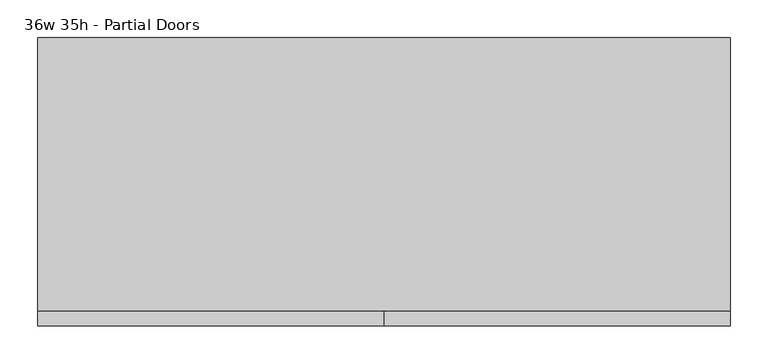
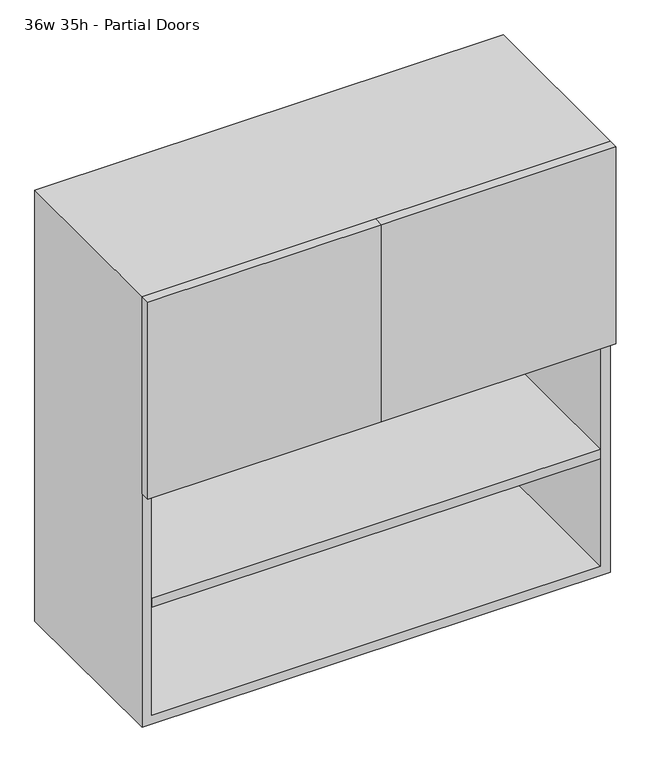
"""IFC4 building model written with IfcOpenShell, lengths in millimetres: furniture geometry, 36w 35h - Partial Doors."""

from ifc_helpers import new_model, si_unit, frame, origin, place, context, project, spatial, polyline, outline, extrude, source, transform, mapped, element, save


def furniture_36w_35h_partial_doors_dfd5ebbc(model_context):
    return source(origin(), model_context, "Body", "SweptSolid", [
        extrude(outline(polyline([(438.1569453, 161.925), (438.1569453, -180.975), (-438.1291641, -180.975), (-438.1291641, 161.925), (438.1569453, 161.925)])), frame((0.0, 0.0, 1219.2), z_axis=(0.0, 0.0, 1.0), x_axis=(1.0, 0.0, 0.0)), (0.0, 0.0, 1.0), 19.05),
        extrude(outline(polyline([(438.1569453, 161.925), (438.1569453, -180.975), (-438.1291641, -180.975), (-438.1291641, 161.925), (438.1569453, 161.925)])), frame((0.0, 0.0, 977.9), z_axis=(0.0, 0.0, 1.0), x_axis=(1.0, 0.0, 0.0)), (0.0, 0.0, 1.0), 19.05),
        extrude(outline(polyline([(0.0138906, -200.025), (0.0138906, -180.975), (457.2138906, -180.975), (457.2138906, -200.025), (0.0138906, -200.025)])), frame((0.0, 0.0, 1219.2), z_axis=(0.0, 0.0, 1.0), x_axis=(1.0, 0.0, 0.0)), (0.0, 0.0, 1.0), 406.4),
        extrude(outline(polyline([(0.0138906, -200.025), (-457.1861094, -200.025), (-457.1861094, -180.975), (0.0138906, -180.975), (0.0138906, -200.025)])), frame((0.0, 0.0, 1219.2), z_axis=(0.0, 0.0, 1.0), x_axis=(1.0, 0.0, 0.0)), (0.0, 0.0, 1.0), 406.4),
        extrude(outline(polyline([(736.6, -457.1861094), (736.6, 457.2138906), (1625.6, 457.2138906), (1625.6, -457.1861094), (736.6, -457.1861094)]), holes=[polyline([(755.65, -438.1361094), (1606.55, -438.1361094), (1606.55, 438.1569453), (755.65, 438.1569453), (755.65, -438.1361094)])]), frame((0.0, -180.975, 0.0), z_axis=(0.0, 1.0, 0.0), x_axis=(0.0, 0.0, 1.0)), (0.0, 0.0, 1.0), 361.95),
        extrude(outline(polyline([(-438.1291641, 161.925), (-438.1291641, 180.975), (438.1569453, 180.975), (438.1569453, 161.925), (-438.1291641, 161.925)])), frame((0.0, 0.0, 755.65), z_axis=(0.0, 0.0, 1.0), x_axis=(1.0, 0.0, 0.0)), (0.0, 0.0, 1.0), 850.9),
    ])


if __name__ == "__main__":
    model = new_model("IFC4")
    model_context = context("Model", 3, world=origin())
    ifc_project = project(units=[si_unit("LENGTHUNIT", "METRE", prefix="MILLI")], contexts=[model_context])
    site = spatial("IfcSite", under=ifc_project)
    building = spatial("IfcBuilding", under=site)
    placement = place(None, origin())
    furniture_36w_35h_partial_doors_shape = furniture_36w_35h_partial_doors_dfd5ebbc(model_context)
    element("IfcFurniture", 1, ObjectType="36w 35h - Partial Doors", at=placement, inside=building, context=model_context, shape_type="MappedRepresentation", body=[
        mapped(furniture_36w_35h_partial_doors_shape, transform((0.0, 0.0, 0.0), x_axis=(1.0, 0.0, 0.0), y_axis=(0.0, 1.0, 0.0), z_axis=(0.0, 0.0, 1.0))),
    ])
    save(model, "model.ifc")
